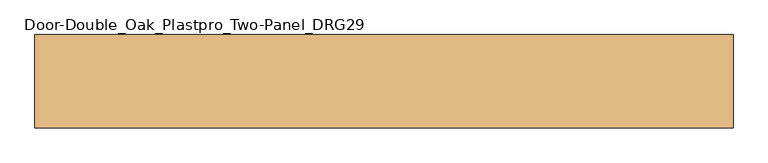
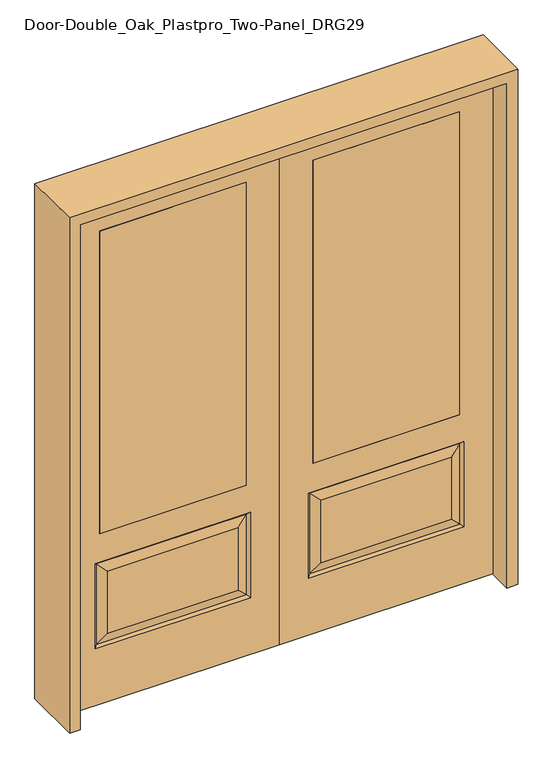
"""IFC4 building model written with IfcOpenShell, lengths in millimetres: door geometry, Door-Double_Oak_Plastpro_Two-Panel_DRG29."""

from ifc_helpers import new_model, si_unit, frame, origin, place, context, project, spatial, polyline, outline, extrude, faceted_brep, source, transform, mapped, element, save


def door_double_oak_plastpro_two_panel_drg29_3b9587d5(model_context):
    return source(origin(), model_context, "Body", "SolidModel", [
        extrude(outline(polyline([(685.8, -20.6375), (127.0, -20.6375), (127.0, 20.6375), (685.8, 20.6375), (685.8, -20.6375)])), frame((0.0, 0.0, 685.8), z_axis=(0.0, 0.0, 1.0), x_axis=(1.0, 0.0, 0.0)), (0.0, 0.0, 1.0), 1219.2),
        faceted_brep([(655.5224548, -20.6375, 274.7525452), (655.5224548, -20.6375, 525.3474548), (157.2775452, -20.6375, 525.3474548), (157.2775452, -20.6375, 274.7525452), (0.0, -20.6375, 2032.0), (0.0, -20.6375, 0.0), (812.8, -20.6375, 0.0), (812.8, -20.6375, 2032.0), (111.2400452, -20.6375, 228.7150452), (111.2400452, -20.6375, 571.3849548), (701.5599548, -20.6375, 571.3849548), (701.5599548, -20.6375, 228.7150452), (685.8, -20.6375, 1905.0), (685.8, -20.6375, 685.8), (127.0, -20.6375, 685.8), (127.0, -20.6375, 1905.0), (685.8, 20.6375, 1905.0), (685.8, 20.6375, 685.8), (127.0, 20.6375, 685.8), (157.2775452, 20.6375, 274.7525452), (157.2775452, 20.6375, 525.3474548), (655.5224548, 20.6375, 525.3474548), (655.5224548, 20.6375, 274.7525452), (812.8, 20.6375, 2032.0), (812.8, 20.6375, 0.0), (0.0, 20.6375, 0.0), (0.0, 20.6375, 2032.0), (701.5599548, 20.6375, 228.7150452), (701.5599548, 20.6375, 571.3849548), (111.2400452, 20.6375, 571.3849548), (111.2400452, 20.6375, 228.7150452), (127.0, 20.6375, 1905.0), (120.2203014, -11.6572439, 237.6953014), (692.5796986, -11.6572439, 237.6953014), (692.5796986, -11.6572439, 562.4046986), (120.2203014, -11.6572439, 562.4046986), (120.2203014, 11.6572439, 237.6953014), (692.5796986, 11.6572439, 237.6953014), (692.5796986, 11.6572439, 562.4046986), (120.2203014, 11.6572439, 562.4046986)], [[[0, 1, 2, 3]], [[4, 5, 6, 7], [8, 9, 10, 11], [12, 13, 14, 15]], [[16, 17, 13, 12]], [[17, 18, 14, 13]], [[19, 20, 21, 22]], [[23, 24, 25, 26], [27, 28, 29, 30], [31, 18, 17, 16]], [[15, 14, 18, 31]], [[6, 5, 25, 24]], [[7, 6, 24, 23]], [[26, 25, 5, 4]], [[32, 8, 11, 33]], [[11, 10, 34, 33]], [[10, 9, 35, 34]], [[32, 35, 9, 8]], [[33, 0, 3, 32]], [[3, 2, 35, 32]], [[34, 35, 2, 1]], [[33, 34, 1, 0]], [[36, 19, 22, 37]], [[22, 21, 38, 37]], [[21, 20, 39, 38]], [[36, 39, 20, 19]], [[37, 27, 30, 36]], [[30, 29, 39, 36]], [[38, 39, 29, 28]], [[37, 38, 28, 27]], [[12, 15, 31, 16]], [[7, 23, 26, 4]]]),
        extrude(outline(polyline([(-685.8, -20.6375), (-685.8, 20.6375), (-127.0, 20.6375), (-127.0, -20.6375), (-685.8, -20.6375)])), frame((0.0, 0.0, 685.8), z_axis=(0.0, 0.0, 1.0), x_axis=(1.0, 0.0, 0.0)), (0.0, 0.0, 1.0), 1219.2),
        faceted_brep([(-655.5224548, -20.6375, 274.7525452), (-157.2775452, -20.6375, 274.7525452), (-157.2775452, -20.6375, 525.3474548), (-655.5224548, -20.6375, 525.3474548), (0.0, -20.6375, 2032.0), (-812.8, -20.6375, 2032.0), (-812.8, -20.6375, 0.0), (0.0, -20.6375, 0.0), (-111.2400452, -20.6375, 228.7150452), (-701.5599548, -20.6375, 228.7150452), (-701.5599548, -20.6375, 571.3849548), (-111.2400452, -20.6375, 571.3849548), (-685.8, -20.6375, 1905.0), (-127.0, -20.6375, 1905.0), (-127.0, -20.6375, 685.8), (-685.8, -20.6375, 685.8), (-685.8, 20.6375, 1905.0), (-685.8, 20.6375, 685.8), (-127.0, 20.6375, 685.8), (-157.2775452, 20.6375, 274.7525452), (-655.5224548, 20.6375, 274.7525452), (-655.5224548, 20.6375, 525.3474548), (-157.2775452, 20.6375, 525.3474548), (-812.8, 20.6375, 2032.0), (0.0, 20.6375, 2032.0), (0.0, 20.6375, 0.0), (-812.8, 20.6375, 0.0), (-701.5599548, 20.6375, 228.7150452), (-111.2400452, 20.6375, 228.7150452), (-111.2400452, 20.6375, 571.3849548), (-701.5599548, 20.6375, 571.3849548), (-127.0, 20.6375, 1905.0), (-120.2203014, -11.6572439, 237.6953014), (-692.5796986, -11.6572439, 237.6953014), (-692.5796986, -11.6572439, 562.4046986), (-120.2203014, -11.6572439, 562.4046986), (-120.2203014, 11.6572439, 237.6953014), (-692.5796986, 11.6572439, 237.6953014), (-692.5796986, 11.6572439, 562.4046986), (-120.2203014, 11.6572439, 562.4046986)], [[[0, 1, 2, 3]], [[4, 5, 6, 7], [8, 9, 10, 11], [12, 13, 14, 15]], [[16, 12, 15, 17]], [[17, 15, 14, 18]], [[19, 20, 21, 22]], [[23, 24, 25, 26], [27, 28, 29, 30], [31, 16, 17, 18]], [[13, 31, 18, 14]], [[6, 26, 25, 7]], [[5, 23, 26, 6]], [[24, 4, 7, 25]], [[32, 33, 9, 8]], [[9, 33, 34, 10]], [[10, 34, 35, 11]], [[32, 8, 11, 35]], [[33, 32, 1, 0]], [[1, 32, 35, 2]], [[34, 3, 2, 35]], [[33, 0, 3, 34]], [[36, 37, 20, 19]], [[20, 37, 38, 21]], [[21, 38, 39, 22]], [[36, 19, 22, 39]], [[37, 36, 28, 27]], [[28, 36, 39, 29]], [[38, 30, 29, 39]], [[37, 27, 30, 38]], [[12, 16, 31, 13]], [[5, 4, 24, 23]]]),
        extrude(outline(polyline([(2073.275, -854.075), (0.0, -854.075), (0.0, -812.8), (2032.0, -812.8), (2032.0, 812.8), (0.0, 812.8), (0.0, 854.075), (2073.275, 854.075), (2073.275, -854.075)])), frame((0.0, -114.3, 0.0), z_axis=(0.0, 1.0, 0.0), x_axis=(0.0, 0.0, 1.0)), (0.0, 0.0, 1.0), 228.6),
    ])


if __name__ == "__main__":
    model = new_model("IFC4")
    model_context = context("Model", 3, world=origin())
    ifc_project = project(units=[si_unit("LENGTHUNIT", "METRE", prefix="MILLI")], contexts=[model_context])
    site = spatial("IfcSite", under=ifc_project)
    building = spatial("IfcBuilding", under=site)
    placement = place(None, origin())
    door_double_oak_plastpro_two_panel_drg29_shape = door_double_oak_plastpro_two_panel_drg29_3b9587d5(model_context)
    element("IfcDoor", 1, ObjectType="Door-Double_Oak_Plastpro_Two-Panel_DRG29", at=placement, inside=building, context=model_context, shape_type="MappedRepresentation", body=[
        mapped(door_double_oak_plastpro_two_panel_drg29_shape, transform((0.0, 0.0, 0.0), x_axis=(1.0, 0.0, 0.0), y_axis=(0.0, 1.0, 0.0), z_axis=(0.0, 0.0, 1.0))),
    ])
    save(model, "model.ifc")
